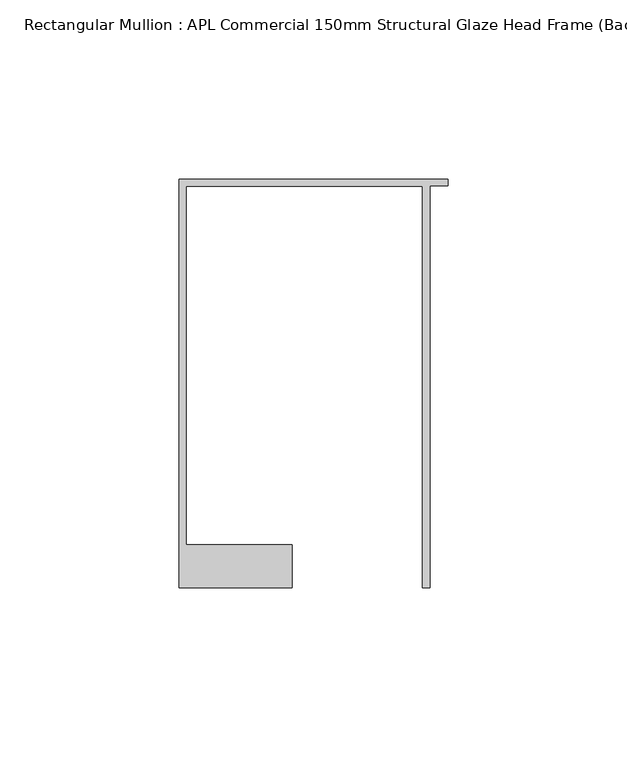
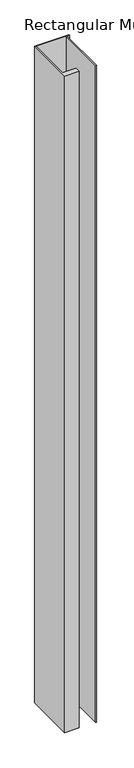
"""IFC4 building model written with IfcOpenShell, lengths in millimetres: member geometry, Rectangular Mullion : APL Commercial 150mm Structural Glaze Head Frame (Back)."""

from ifc_helpers import new_model, si_unit, frame, origin, place, context, project, spatial, polyline, outline, extrude, source, transform, mapped, element, save


def rectangular_mullion_apl_commercial_150mm_structural_glaze_e96db9da(model_context):
    return source(origin(), model_context, "Body", "SweptSolid", [
        extrude(outline(polyline([(-75.0, 128.9993063), (0.0, 128.9993063), (0.0, 127.1993063), (-5.0, 127.1993063), (-5.0, 14.9998342), (-7.0, 14.9998342), (-7.0, 126.9993063), (-73.0, 126.9993063), (-73.0, 26.9997514), (-43.5000151, 26.9997514), (-43.5000151, 14.9998342), (-75.0, 14.9998342), (-75.0, 128.9993063)])), frame((0.0, 0.0, -1524.000019), z_axis=(0.0, 0.0, 1.0), x_axis=(1.0, 0.0, 0.0)), (0.0, 0.0, 1.0), 1524.000019),
    ])


if __name__ == "__main__":
    model = new_model("IFC4")
    model_context = context("Model", 3, world=origin())
    ifc_project = project(units=[si_unit("LENGTHUNIT", "METRE", prefix="MILLI")], contexts=[model_context])
    site = spatial("IfcSite", under=ifc_project)
    building = spatial("IfcBuilding", under=site)
    placement = place(None, origin())
    rectangular_mullion_apl_commercial_150mm_structural_glaze_shape = rectangular_mullion_apl_commercial_150mm_structural_glaze_e96db9da(model_context)
    element("IfcMember", 1, ObjectType="Rectangular Mullion : APL Commercial 150mm Structural Glaze Head Frame (Back)", at=placement, inside=building, context=model_context, shape_type="MappedRepresentation", body=[
        mapped(rectangular_mullion_apl_commercial_150mm_structural_glaze_shape, transform((0.0, 0.0, 0.0), x_axis=(1.0, 0.0, 0.0), y_axis=(0.0, 1.0, 0.0), z_axis=(0.0, 0.0, 1.0))),
    ])
    save(model, "model.ifc")
